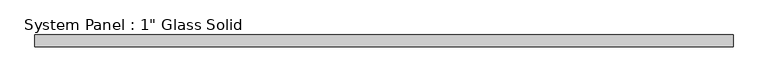
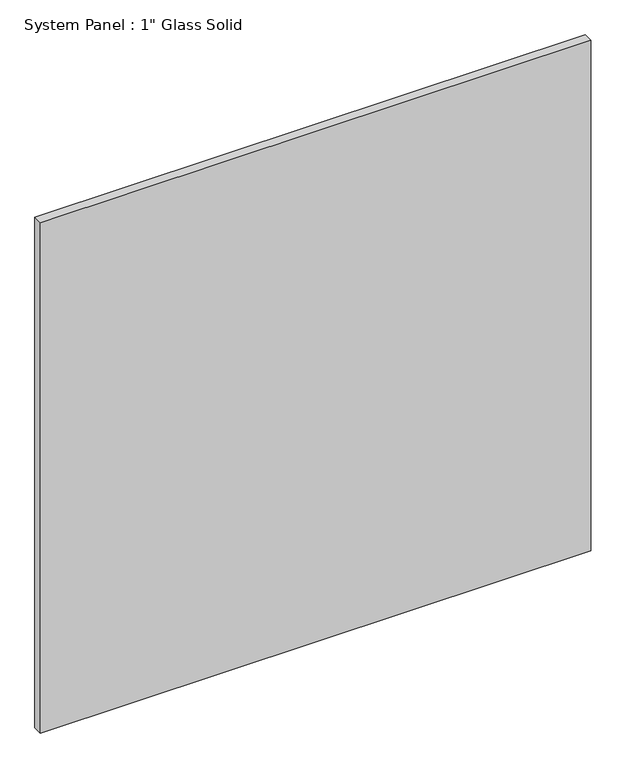
"""IFC4 building model written with IfcOpenShell, lengths in millimetres: plate geometry."""

from ifc_helpers import new_model, si_unit, origin, origin_with_axes, place, context, project, spatial, polyline, outline, extrude, source, transform, mapped, element, save


def plate_1d45d4bf(model_context):
    return source(origin(), model_context, "Body", "SweptSolid", [
        extrude(outline(polyline([(740.8342185, -12.7), (-740.8342185, -12.7), (-740.8342185, 12.7), (740.8342185, 12.7), (740.8342185, -12.7)])), origin_with_axes(), (0.0, 0.0, 1.0), 1452.8817704),
    ])


if __name__ == "__main__":
    model = new_model("IFC4")
    model_context = context("Model", 3, world=origin())
    ifc_project = project(units=[si_unit("LENGTHUNIT", "METRE", prefix="MILLI")], contexts=[model_context])
    site = spatial("IfcSite", under=ifc_project)
    building = spatial("IfcBuilding", under=site)
    placement = place(None, origin())
    plate_shape = plate_1d45d4bf(model_context)
    element("IfcPlate", 1, ObjectType="System Panel : 1\" Glass Solid", at=placement, inside=building, context=model_context, shape_type="MappedRepresentation", body=[
        mapped(plate_shape, transform((0.0, 0.0, 0.0), x_axis=(1.0, 0.0, 0.0), y_axis=(0.0, 1.0, 0.0), z_axis=(0.0, 0.0, 1.0))),
    ])
    save(model, "model.ifc")
